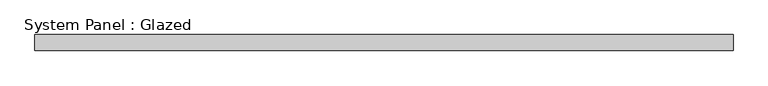
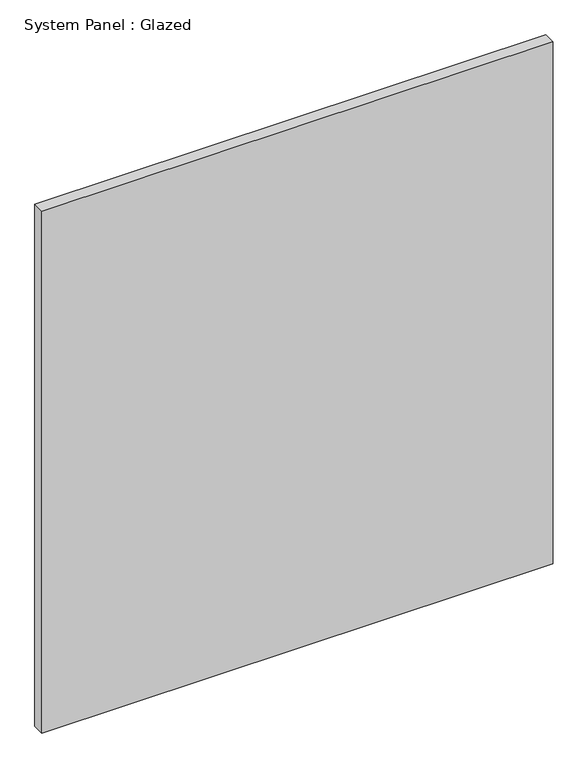
"""IFC4 building model written with IfcOpenShell, lengths in millimetres: plate geometry, System Panel : Glazed."""

from ifc_helpers import new_model, si_unit, origin, origin_with_axes, place, context, project, spatial, polyline, outline, extrude, source, transform, mapped, element, save


def system_panel_glazed_fafc9b21(model_context):
    return source(origin(), model_context, "Body", "SweptSolid", [
        extrude(outline(polyline([(551.3897828, -12.7), (-551.3897828, -12.7), (-551.3897828, 12.7), (551.3897828, 12.7), (551.3897828, -12.7)])), origin_with_axes(), (0.0, 0.0, 1.0), 1189.6598),
    ])


if __name__ == "__main__":
    model = new_model("IFC4")
    model_context = context("Model", 3, world=origin())
    ifc_project = project(units=[si_unit("LENGTHUNIT", "METRE", prefix="MILLI")], contexts=[model_context])
    site = spatial("IfcSite", under=ifc_project)
    building = spatial("IfcBuilding", under=site)
    placement = place(None, origin())
    system_panel_glazed_shape = system_panel_glazed_fafc9b21(model_context)
    element("IfcPlate", 1, ObjectType="System Panel : Glazed", at=placement, inside=building, context=model_context, shape_type="MappedRepresentation", body=[
        mapped(system_panel_glazed_shape, transform((0.0, 0.0, 0.0), x_axis=(1.0, 0.0, 0.0), y_axis=(0.0, 1.0, 0.0), z_axis=(0.0, 0.0, 1.0))),
    ])
    save(model, "model.ifc")
